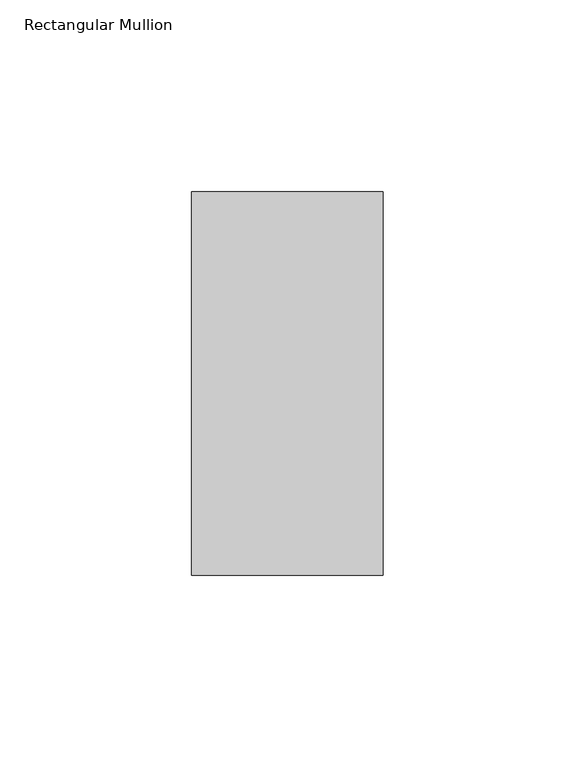
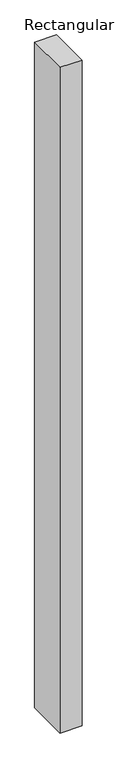
"""IFC4 building model written with IfcOpenShell, lengths in millimetres: member geometry, Rectangular Mullion."""

from ifc_helpers import new_model, si_unit, frame, origin, place, context, project, spatial, polyline, outline, extrude, source, transform, mapped, element, save


def rectangular_mullion_2a08a5b9(model_context):
    return source(origin(), model_context, "Body", "SweptSolid", [
        extrude(outline(polyline([(0.0, 69.0), (0.0, -31.0), (-50.0, -31.0), (-50.0, 69.0), (0.0, 69.0)])), frame((0.0, 0.0, -1600.0), z_axis=(0.0, 0.0, 1.0), x_axis=(1.0, 0.0, 0.0)), (0.0, 0.0, 1.0), 1600.0),
    ])


if __name__ == "__main__":
    model = new_model("IFC4")
    model_context = context("Model", 3, world=origin())
    ifc_project = project(units=[si_unit("LENGTHUNIT", "METRE", prefix="MILLI")], contexts=[model_context])
    site = spatial("IfcSite", under=ifc_project)
    building = spatial("IfcBuilding", under=site)
    placement = place(None, origin())
    rectangular_mullion_shape = rectangular_mullion_2a08a5b9(model_context)
    element("IfcMember", 1, ObjectType="Rectangular Mullion", at=placement, inside=building, context=model_context, shape_type="MappedRepresentation", body=[
        mapped(rectangular_mullion_shape, transform((0.0, 0.0, 0.0), x_axis=(1.0, 0.0, 0.0), y_axis=(0.0, 1.0, 0.0), z_axis=(0.0, 0.0, 1.0))),
    ])
    save(model, "model.ifc")
